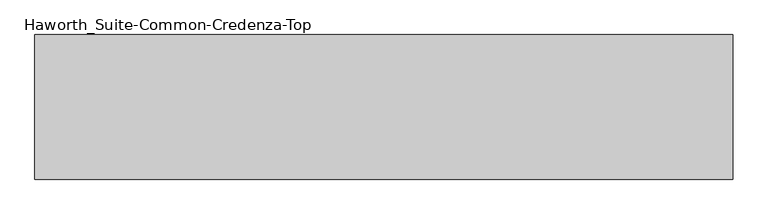
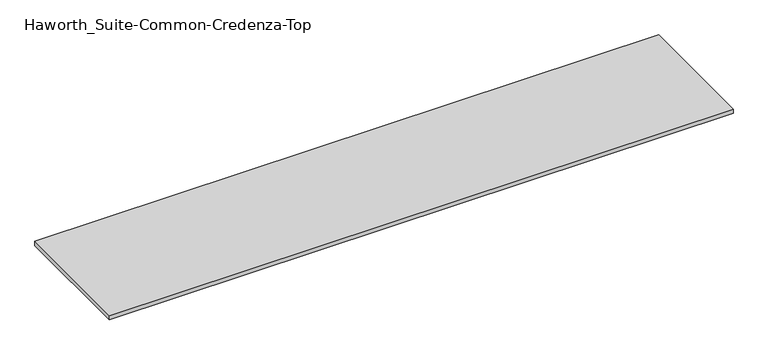
"""IFC4 building model written with IfcOpenShell, lengths in millimetres: furniture geometry, Haworth_Suite-Common-Credenza-Top."""

from ifc_helpers import new_model, si_unit, frame, origin, place, context, project, spatial, polyline, outline, extrude, source, transform, mapped, element, save


def haworth_suite_common_credenza_top_a15f637f(model_context):
    return source(origin(), model_context, "Body", "SweptSolid", [
        extrude(outline(polyline([(1358.9, -31.75), (1358.9, -600.075), (-1384.3, -600.075), (-1384.3, -31.75), (1358.9, -31.75)])), frame((0.0, 0.0, 569.9125), z_axis=(0.0, 0.0, 1.0), x_axis=(1.0, 0.0, 0.0)), (0.0, 0.0, 1.0), 19.05),
    ])


if __name__ == "__main__":
    model = new_model("IFC4")
    model_context = context("Model", 3, world=origin())
    ifc_project = project(units=[si_unit("LENGTHUNIT", "METRE", prefix="MILLI")], contexts=[model_context])
    site = spatial("IfcSite", under=ifc_project)
    building = spatial("IfcBuilding", under=site)
    placement = place(None, origin())
    haworth_suite_common_credenza_top_shape = haworth_suite_common_credenza_top_a15f637f(model_context)
    element("IfcFurniture", 1, ObjectType="Haworth_Suite-Common-Credenza-Top", at=placement, inside=building, context=model_context, shape_type="MappedRepresentation", body=[
        mapped(haworth_suite_common_credenza_top_shape, transform((0.0, 0.0, 0.0), x_axis=(1.0, 0.0, 0.0), y_axis=(0.0, 1.0, 0.0), z_axis=(0.0, 0.0, 1.0))),
    ])
    save(model, "model.ifc")
